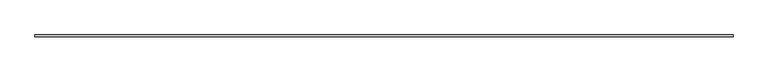
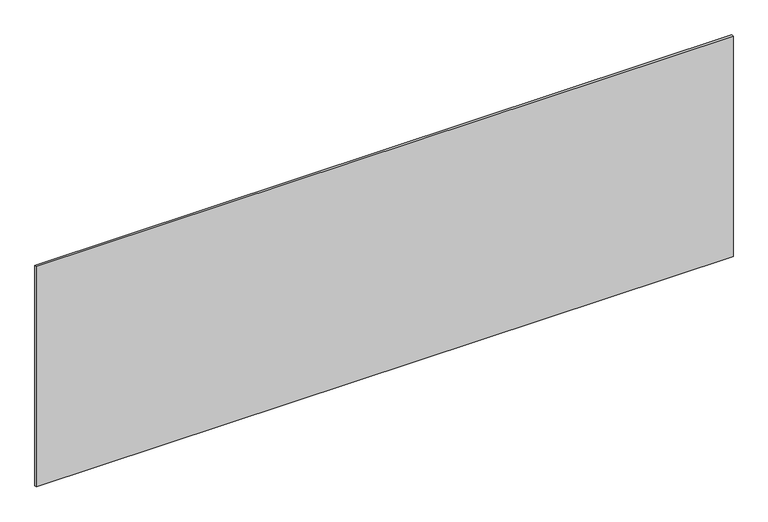
"""IFC4 building model written with IfcOpenShell, lengths in millimetres: plate geometry."""

from ifc_helpers import new_model, si_unit, origin, origin_with_axes, place, context, project, spatial, polyline, outline, extrude, source, transform, mapped, element, save


def plate_3f965e21(model_context):
    return source(origin(), model_context, "Body", "SweptSolid", [
        extrude(outline(polyline([(1697.5, -5.0), (-1697.5, -5.0), (-1697.5, 5.0), (1697.5, 5.0), (1697.5, -5.0)])), origin_with_axes(), (0.0, 0.0, 1.0), 1135.9894365),
    ])


if __name__ == "__main__":
    model = new_model("IFC4")
    model_context = context("Model", 3, world=origin())
    ifc_project = project(units=[si_unit("LENGTHUNIT", "METRE", prefix="MILLI")], contexts=[model_context])
    site = spatial("IfcSite", under=ifc_project)
    building = spatial("IfcBuilding", under=site)
    placement = place(None, origin())
    plate_shape = plate_3f965e21(model_context)
    element("IfcPlate", 1, at=placement, inside=building, context=model_context, shape_type="MappedRepresentation", body=[
        mapped(plate_shape, transform((0.0, 0.0, 0.0), x_axis=(1.0, 0.0, 0.0), y_axis=(0.0, 1.0, 0.0), z_axis=(0.0, 0.0, 1.0))),
    ])
    save(model, "model.ifc")
